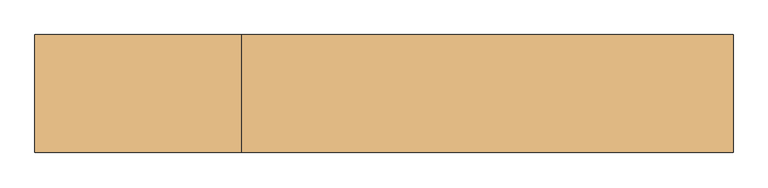
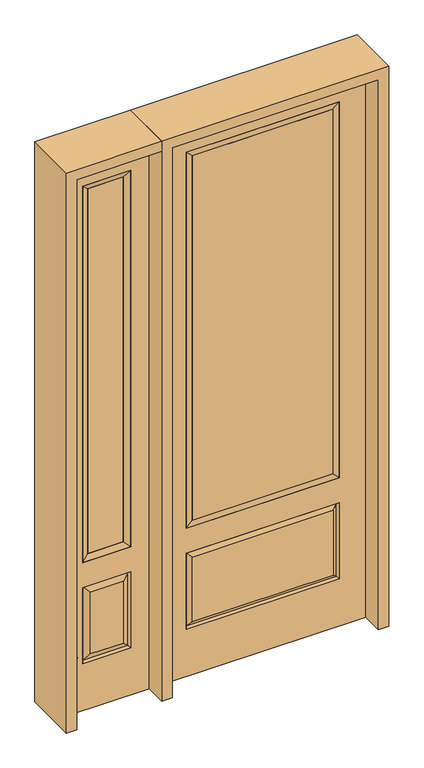
"""IFC4 building model written with IfcOpenShell, lengths in millimetres: door geometry."""

from ifc_helpers import new_model, si_unit, frame, origin, place, context, project, spatial, polyline, outline, extrude, faceted_brep, source, transform, mapped, element, save


def door_ef0e9a18(model_context):
    return source(origin(), model_context, "Body", "SolidModel", [
        faceted_brep([(-831.85, -22.225, 0.0), (-476.25, -22.225, 0.0), (-476.25, -22.225, 2438.4), (-831.85, -22.225, 2438.4), (-553.72, -22.225, 2325.624), (-553.72, -22.225, 657.098), (-754.38, -22.225, 657.098), (-754.38, -22.225, 2325.624), (-553.72, -22.225, 209.55), (-754.38, -22.225, 209.55), (-754.38, -22.225, 546.1), (-553.72, -22.225, 546.1), (-722.6648999, -22.225, 241.2651001), (-585.4351001, -22.225, 241.2651001), (-585.4351001, -22.225, 514.3848999), (-722.6648999, -22.225, 514.3848999), (-831.85, 22.225, 0.0), (-831.85, 22.225, 2438.4), (-476.25, 22.225, 2438.4), (-476.25, 22.225, 0.0), (-553.72, 22.225, 2325.624), (-754.38, 22.225, 2325.624), (-754.38, 22.225, 657.098), (-553.72, 22.225, 657.098), (-754.38, 22.225, 209.55), (-553.72, 22.225, 209.55), (-553.72, 22.225, 546.1), (-754.38, 22.225, 546.1), (-585.4351001, 22.225, 241.2651001), (-722.6648999, 22.225, 241.2651001), (-722.6648999, 22.225, 514.3848999), (-585.4351001, 22.225, 514.3848999), (-560.8288501, 12.7912373, 216.6588501), (-747.2711499, 12.7912373, 216.6588501), (-747.2711499, 12.7912373, 538.9911499), (-560.8288501, 12.7912373, 538.9911499), (-747.2711499, -12.7912373, 216.6588501), (-560.8288501, -12.7912373, 216.6588501), (-747.2711499, -12.7912373, 538.9911499), (-560.8288501, -12.7912373, 538.9911499)], [[[0, 1, 2, 3], [4, 5, 6, 7], [8, 9, 10, 11]], [[12, 13, 14, 15]], [[16, 17, 18, 19], [20, 21, 22, 23], [24, 25, 26, 27]], [[28, 29, 30, 31]], [[1, 0, 16, 19]], [[2, 1, 19, 18]], [[3, 2, 18, 17]], [[0, 3, 17, 16]], [[5, 4, 20, 23]], [[6, 5, 23, 22]], [[7, 6, 22, 21]], [[4, 7, 21, 20]], [[32, 33, 29, 28]], [[33, 32, 25, 24]], [[29, 33, 34, 30]], [[33, 24, 27, 34]], [[30, 34, 35, 31]], [[34, 27, 26, 35]], [[32, 28, 31, 35]], [[25, 32, 35, 26]], [[12, 36, 37, 13]], [[37, 36, 9, 8]], [[36, 12, 15, 38]], [[9, 36, 38, 10]], [[38, 15, 14, 39]], [[10, 38, 39, 11]], [[13, 37, 39, 14]], [[37, 8, 11, 39]]]),
        faceted_brep([(-754.38, 22.225, 2325.624), (-754.38, -22.225, 2325.624), (-553.72, -22.225, 2325.624), (-553.72, 22.225, 2325.624), (-728.98, 12.7, 2300.224), (-579.12, 12.7, 2300.224), (-728.98, -12.7, 2300.224), (-579.12, -12.7, 2300.224), (-553.72, -22.225, 657.098), (-553.72, 22.225, 657.098), (-579.12, 12.7, 682.498), (-579.12, -12.7, 682.498), (-754.38, -22.225, 657.098), (-754.38, 22.225, 657.098), (-728.98, 12.7, 682.498), (-728.98, -12.7, 682.498)], [[[0, 1, 2, 3]], [[4, 0, 3, 5]], [[6, 4, 5, 7]], [[1, 6, 7, 2]], [[3, 2, 8, 9]], [[5, 3, 9, 10]], [[7, 5, 10, 11]], [[2, 7, 11, 8]], [[9, 8, 12, 13]], [[10, 9, 13, 14]], [[11, 10, 14, 15]], [[8, 11, 15, 12]], [[13, 12, 1, 0]], [[14, 13, 0, 4]], [[15, 14, 4, 6]], [[12, 15, 6, 1]]]),
        extrude(outline(polyline([(-579.12, -12.7), (-728.98, -12.7), (-728.98, 12.7), (-579.12, 12.7), (-579.12, -12.7)])), frame((0.0, 0.0, 682.498), z_axis=(0.0, 0.0, 1.0), x_axis=(1.0, 0.0, 0.0)), (0.0, 0.0, 1.0), 1617.726),
        extrude(outline(polyline([(295.275, -20.32), (-295.275, -20.32), (-295.275, 5.08), (295.275, 5.08), (295.275, -20.32)])), frame((0.0, 0.0, 682.498), z_axis=(0.0, 0.0, 1.0), x_axis=(1.0, 0.0, 0.0)), (0.0, 0.0, 1.0), 1616.202),
        faceted_brep([(-313.5661499, -12.7912373, 216.6588501), (313.5661499, -12.7912373, 216.6588501), (296.06875, -22.225, 234.15625), (-296.06875, -22.225, 234.15625), (-320.675, -22.225, 209.55), (320.675, -22.225, 209.55), (-313.5661499, -12.7912373, 538.9911499), (-320.675, -22.225, 546.1), (296.06875, -22.225, 521.49375), (-296.06875, -22.225, 521.49375), (431.8, -22.225, 2438.4), (-431.8, -22.225, 2438.4), (-431.8, -22.225, 0.0), (431.8, -22.225, 0.0), (320.675, -22.225, 546.1), (320.675, -22.225, 2324.1), (320.675, -22.225, 657.098), (-320.675, -22.225, 657.098), (-320.675, -22.225, 2324.1), (313.5661499, -12.7912373, 538.9911499), (-431.8, 22.225, 2438.4), (-431.8, 22.225, 0.0), (431.8, 22.225, 0.0), (431.8, 22.225, 2438.4), (320.675, 22.225, 2324.1), (320.675, 22.225, 657.098), (-320.675, 22.225, 657.098), (-320.675, 22.225, 2324.1), (-320.675, 22.225, 209.55), (320.675, 22.225, 209.55), (320.675, 22.225, 546.1), (-320.675, 22.225, 546.1), (296.06875, 22.225, 234.15625), (-296.06875, 22.225, 234.15625), (-296.06875, 22.225, 521.49375), (296.06875, 22.225, 521.49375), (-313.5661499, 12.7912373, 216.6588501), (313.5661499, 12.7912373, 216.6588501), (313.5661499, 12.7912373, 538.9911499), (-313.5661499, 12.7912373, 538.9911499)], [[[0, 1, 2, 3]], [[1, 0, 4, 5]], [[4, 0, 6, 7]], [[3, 2, 8, 9]], [[10, 11, 12, 13], [5, 4, 7, 14], [15, 16, 17, 18]], [[1, 5, 14, 19]], [[2, 1, 19, 8]], [[0, 3, 9, 6]], [[7, 6, 19, 14]], [[6, 9, 8, 19]], [[12, 11, 20, 21]], [[13, 12, 21, 22]], [[10, 13, 22, 23]], [[16, 15, 24, 25]], [[17, 16, 25, 26]], [[18, 17, 26, 27]], [[23, 22, 21, 20], [28, 29, 30, 31], [24, 27, 26, 25]], [[32, 33, 34, 35]], [[28, 36, 37, 29]], [[29, 37, 38, 30]], [[39, 31, 30, 38]], [[36, 28, 31, 39]], [[37, 36, 33, 32]], [[33, 36, 39, 34]], [[34, 39, 38, 35]], [[37, 32, 35, 38]], [[11, 10, 23, 20]], [[15, 18, 27, 24]]]),
        faceted_brep([(-320.675, -22.225, 2324.1), (-320.675, 22.225, 2324.1), (-320.675, 22.225, 657.098), (-320.675, -22.225, 657.098), (320.675, 22.225, 657.098), (320.675, -22.225, 657.098), (-295.275, 5.08, 682.498), (295.275, 5.08, 682.498), (320.675, 22.225, 2324.1), (320.675, -22.225, 2324.1), (-295.275, -20.32, 682.498), (295.275, -20.32, 682.498), (-295.275, -20.32, 2298.7), (295.275, -20.32, 2298.7), (-295.275, 5.08, 2298.7), (295.275, 5.08, 2298.7)], [[[0, 1, 2, 3]], [[3, 2, 4, 5]], [[2, 6, 7, 4]], [[5, 4, 8, 9]], [[10, 3, 5, 11]], [[12, 0, 3, 10]], [[11, 5, 9, 13]], [[6, 10, 11, 7]], [[14, 12, 10, 6]], [[7, 11, 13, 15]], [[1, 14, 6, 2]], [[4, 7, 15, 8]], [[9, 8, 1, 0]], [[13, 9, 0, 12]], [[15, 13, 12, 14]], [[8, 15, 14, 1]]]),
        extrude(outline(polyline([(2438.4, -476.25), (2482.85, -476.25), (2482.85, -876.3), (0.0, -876.3), (0.0, -831.85), (2438.4, -831.85), (2438.4, -476.25)])), frame((0.0, -114.3, 0.0), z_axis=(0.0, 1.0, 0.0), x_axis=(0.0, 0.0, 1.0)), (0.0, 0.0, 1.0), 228.6),
        extrude(outline(polyline([(2482.85, -476.25), (0.0, -476.25), (0.0, -431.8), (2438.4, -431.8), (2438.4, 431.8), (0.0, 431.8), (0.0, 476.25), (2482.85, 476.25), (2482.85, -476.25)])), frame((0.0, -114.3, 0.0), z_axis=(0.0, 1.0, 0.0), x_axis=(0.0, 0.0, 1.0)), (0.0, 0.0, 1.0), 228.6),
    ])


if __name__ == "__main__":
    model = new_model("IFC4")
    model_context = context("Model", 3, world=origin())
    ifc_project = project(units=[si_unit("LENGTHUNIT", "METRE", prefix="MILLI")], contexts=[model_context])
    site = spatial("IfcSite", under=ifc_project)
    building = spatial("IfcBuilding", under=site)
    placement = place(None, origin())
    door_shape = door_ef0e9a18(model_context)
    element("IfcDoor", 1, at=placement, inside=building, context=model_context, shape_type="MappedRepresentation", body=[
        mapped(door_shape, transform((0.0, 0.0, 0.0), x_axis=(1.0, 0.0, 0.0), y_axis=(0.0, 1.0, 0.0), z_axis=(0.0, 0.0, 1.0))),
    ])
    save(model, "model.ifc")
